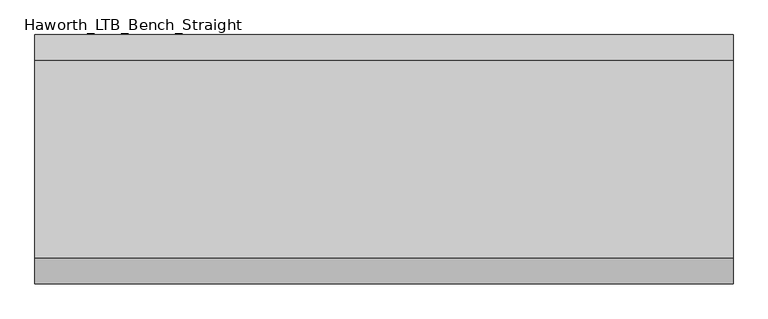
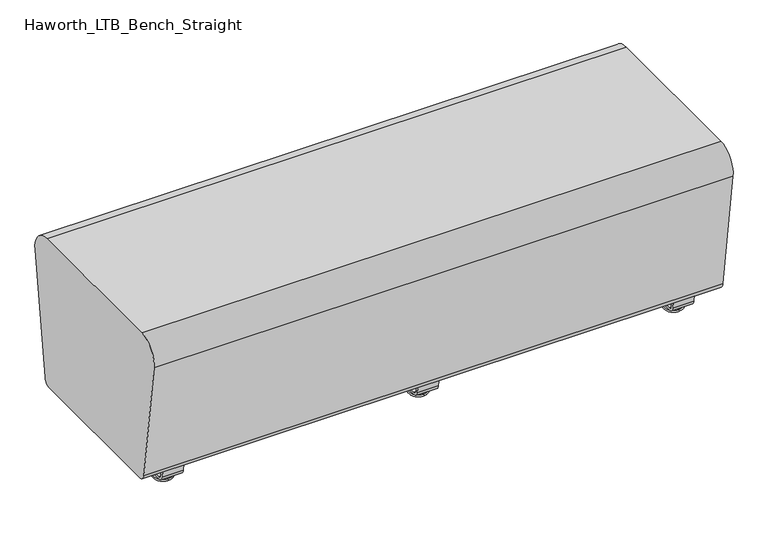
"""IFC4 building model written with IfcOpenShell, lengths in millimetres: furniture geometry, Haworth_LTB_Bench_Straight."""

from ifc_helpers import new_model, si_unit, point, frame, frame_2d, origin, place, context, project, spatial, polyline, circle_curve, ellipse_curve, trimmed, segment, composite_curve, outline, extrude, source, transform, mapped, element, save
from ifc_brep_helpers import plane_surface, cylinder_surface, revolved_surface, advanced_brep


def haworth_ltb_bench_straight_3abd45fc(model_context):
    return source(origin(), model_context, "Body", "SolidModel", [
        advanced_brep(
        [(0.0, -134.8425052, 7.8133431), (0.0, -150.8355515, 7.8133431), (0.0, -147.6015284, 7.8133431), (0.0, -138.0765284, 7.8133431), (0.0, -120.9001513, 4.0775), (0.0, -164.7779054, 4.0775), (0.0, -121.3107026, 0.0), (0.0, -164.3673542, 0.0), (0.0, -142.8390284, 0.0), (0.0, -138.0765284, 50.0000004), (0.0, -147.6015284, 50.0000004), (0.0, -142.8390284, 50.0000004)],
        [
            (0, 1, circle_curve(frame((0.0, -142.8390284, 7.8133431), z_axis=(0.0, 0.0, 1.0), x_axis=(0.0, -1.0, 0.0)), 7.9965232)),
            (1, 2),
            (2, 3, circle_curve(frame((0.0, -142.8390284, 7.8133431), z_axis=(0.0, 0.0, -1.0), x_axis=(0.0, -1.0, 0.0)), 4.7625)),
            (3, 0),
            (1, 0, circle_curve(frame((0.0, -142.8390284, 7.8133431), z_axis=(0.0, 0.0, 1.0), x_axis=(0.0, -1.0, 0.0)), 7.9965232)),
            (3, 2, circle_curve(frame((0.0, -142.8390284, 7.8133431), z_axis=(0.0, 0.0, -1.0), x_axis=(0.0, -1.0, 0.0)), 4.7625)),
            (4, 5, circle_curve(frame((0.0, -142.8390284, 4.0775), z_axis=(0.0, 0.0, 1.0), x_axis=(0.0, -1.0, 0.0)), 21.9388771)),
            (5, 1),
            (0, 4),
            (5, 4, circle_curve(frame((0.0, -142.8390284, 4.0775), z_axis=(0.0, 0.0, 1.0), x_axis=(0.0, -1.0, 0.0)), 21.9388771)),
            (6, 7, circle_curve(frame((0.0, -142.8390284, 0.0), z_axis=(0.0, 0.0, 1.0), x_axis=(0.0, -1.0, 0.0)), 21.5283258)),
            (7, 5, circle_curve(frame((0.0, -164.2405822, 2.0721829), z_axis=(-1.0, 0.0, 0.0), x_axis=(0.0, 1.0, 0.0)), 2.0760571)),
            (4, 6, circle_curve(frame((0.0, -121.4374745, 2.0721829), z_axis=(-1.0, 0.0, 0.0), x_axis=(0.0, -1.0, 0.0)), 2.0760571)),
            (7, 6, circle_curve(frame((0.0, -142.8390284, 0.0), z_axis=(0.0, 0.0, 1.0), x_axis=(0.0, -1.0, 0.0)), 21.5283258)),
            (8, 7),
            (6, 8),
            (9, 10, circle_curve(frame((0.0, -142.8390284, 50.0000004), z_axis=(0.0, 0.0, 1.0), x_axis=(0.0, -1.0, 0.0)), 4.7625)),
            (10, 11),
            (11, 9),
            (10, 9, circle_curve(frame((0.0, -142.8390284, 50.0000004), z_axis=(0.0, 0.0, 1.0), x_axis=(0.0, -1.0, 0.0)), 4.7625)),
            (2, 10),
            (9, 3),
        ],
        [
            plane_surface(frame((0.0, -142.8390284, 7.8133431), z_axis=(0.0, 0.0, 1.0), x_axis=(0.0, -1.0, 0.0))),
            revolved_surface(polyline([(0.0, -150.8355515, 7.8133431), (0.0, -164.7779054, 4.0775)]), (0.0, -142.8390284, 0.0), (0.0, 0.0, -1.0)),
            revolved_surface(trimmed(ellipse_curve(frame((0.0, -164.2405822, 2.0721829), z_axis=(1.0, 0.0, 0.0), x_axis=(0.0, 1.0, 0.0)), 2.0760571, 2.0760571), [point((0.0, -164.7779054, 4.0775))], [point((0.0, -164.3673542, 0.0))], True, "CARTESIAN"), (0.0, -142.8390284, 0.0), (0.0, 0.0, -1.0)),
            plane_surface(frame((0.0, -142.8390284, 0.0), z_axis=(0.0, 0.0, -1.0), x_axis=(0.0, -1.0, 0.0))),
            plane_surface(frame((0.0, -142.8390284, 50.0000004), z_axis=(0.0, 0.0, 1.0), x_axis=(0.0, -1.0, 0.0))),
            cylinder_surface(frame((0.0, -142.8390284, 0.0), z_axis=(0.0, 0.0, -1.0), x_axis=(0.0, -1.0, 0.0)), 4.7625),
        ],
        [
            (0, [[1, 2, 3, 4]]),
            (0, [[5, -4, 6, -2]]),
            (1, [[7, 8, -1, 9]]),
            (1, [[10, -9, -5, -8]]),
            (2, [[11, 12, -7, 13]]),
            (2, [[14, -13, -10, -12]]),
            (3, [[15, -11, 16]]),
            (3, [[-16, -14, -15]]),
            (4, [[17, 18, 19]]),
            (4, [[20, -19, -18]]),
            (5, [[-3, 21, -17, 22]]),
            (5, [[-6, -22, -20, -21]]),
        ],
    ),
        advanced_brep(
        [(0.0, 138.0765284, 7.8133431), (0.0, 147.6015284, 7.8133431), (0.0, 150.8355515, 7.8133431), (0.0, 134.8425052, 7.8133431), (0.0, 164.7779054, 4.0775), (0.0, 120.9001513, 4.0775), (0.0, 164.3673542, 0.0), (0.0, 121.3107026, 0.0), (0.0, 142.8390284, 0.0), (0.0, 142.8390284, 50.0000004), (0.0, 147.6015284, 50.0000004), (0.0, 138.0765284, 50.0000004)],
        [
            (0, 1, circle_curve(frame((0.0, 142.8390284, 7.8133431), z_axis=(0.0, 0.0, -1.0), x_axis=(0.0, 1.0, 0.0)), 4.7625)),
            (1, 2),
            (2, 3, circle_curve(frame((0.0, 142.8390284, 7.8133431), z_axis=(0.0, 0.0, 1.0), x_axis=(0.0, 1.0, 0.0)), 7.9965232)),
            (3, 0),
            (1, 0, circle_curve(frame((0.0, 142.8390284, 7.8133431), z_axis=(0.0, 0.0, -1.0), x_axis=(0.0, 1.0, 0.0)), 4.7625)),
            (3, 2, circle_curve(frame((0.0, 142.8390284, 7.8133431), z_axis=(0.0, 0.0, 1.0), x_axis=(0.0, 1.0, 0.0)), 7.9965232)),
            (2, 4),
            (4, 5, circle_curve(frame((0.0, 142.8390284, 4.0775), z_axis=(0.0, 0.0, 1.0), x_axis=(0.0, 1.0, 0.0)), 21.9388771)),
            (5, 3),
            (5, 4, circle_curve(frame((0.0, 142.8390284, 4.0775), z_axis=(0.0, 0.0, 1.0), x_axis=(0.0, 1.0, 0.0)), 21.9388771)),
            (4, 6, circle_curve(frame((0.0, 164.2405822, 2.0721829), z_axis=(-1.0, 0.0, 0.0), x_axis=(0.0, -1.0, 0.0)), 2.0760571)),
            (6, 7, circle_curve(frame((0.0, 142.8390284, 0.0), z_axis=(0.0, 0.0, 1.0), x_axis=(0.0, 1.0, 0.0)), 21.5283258)),
            (7, 5, circle_curve(frame((0.0, 121.4374745, 2.0721829), z_axis=(-1.0, 0.0, 0.0), x_axis=(0.0, 1.0, 0.0)), 2.0760571)),
            (7, 6, circle_curve(frame((0.0, 142.8390284, 0.0), z_axis=(0.0, 0.0, 1.0), x_axis=(0.0, 1.0, 0.0)), 21.5283258)),
            (6, 8),
            (8, 7),
            (9, 10),
            (10, 11, circle_curve(frame((0.0, 142.8390284, 50.0000004), z_axis=(0.0, 0.0, 1.0), x_axis=(0.0, 1.0, 0.0)), 4.7625)),
            (11, 9),
            (11, 10, circle_curve(frame((0.0, 142.8390284, 50.0000004), z_axis=(0.0, 0.0, 1.0), x_axis=(0.0, 1.0, 0.0)), 4.7625)),
            (10, 1),
            (0, 11),
        ],
        [
            plane_surface(frame((0.0, 142.8390284, 7.8133431), z_axis=(0.0, 0.0, 1.0), x_axis=(0.0, 1.0, 0.0))),
            revolved_surface(polyline([(0.0, 164.7779054, 4.0775), (0.0, 150.8355515, 7.8133431)]), (0.0, 142.8390284, 0.0), (0.0, 0.0, 1.0)),
            revolved_surface(trimmed(ellipse_curve(frame((0.0, 164.2405822, 2.0721829), z_axis=(1.0, 0.0, 0.0), x_axis=(0.0, -1.0, 0.0)), 2.0760571, 2.0760571), [point((0.0, 164.3673542, 0.0))], [point((0.0, 164.7779054, 4.0775))], True, "CARTESIAN"), (0.0, 142.8390284, 0.0), (0.0, 0.0, 1.0)),
            plane_surface(frame((0.0, 142.8390284, 0.0), z_axis=(0.0, 0.0, -1.0), x_axis=(0.0, 1.0, 0.0))),
            plane_surface(frame((0.0, 142.8390284, 50.0000004), z_axis=(0.0, 0.0, 1.0), x_axis=(0.0, 1.0, 0.0))),
            cylinder_surface(frame((0.0, 142.8390284, 0.0), z_axis=(0.0, 0.0, 1.0), x_axis=(0.0, 1.0, 0.0)), 4.7625),
        ],
        [
            (0, [[1, 2, 3, 4]]),
            (0, [[5, -4, 6, -2]]),
            (1, [[-3, 7, 8, 9]]),
            (1, [[-6, -9, 10, -7]]),
            (2, [[-8, 11, 12, 13]]),
            (2, [[-10, -13, 14, -11]]),
            (3, [[-12, 15, 16]]),
            (3, [[-14, -16, -15]]),
            (4, [[17, 18, 19]]),
            (4, [[-19, 20, -17]]),
            (5, [[-18, 21, -1, 22]]),
            (5, [[-20, -22, -5, -21]]),
        ],
    ),
        extrude(outline(composite_curve([segment(polyline([(188.6158944, 62.9950557), (183.6853496, 27.9124042)]), True, "CONTINUOUS"), segment(trimmed(circle_curve(frame_2d((168.8313276, 30.0000007)), 15.000001), [point((183.6853496, 27.9124042))], [point((168.8313276, 14.9999997))], False, "CARTESIAN"), True, "CONTINUOUS"), segment(polyline([(168.8313276, 14.9999997), (-168.8313276, 14.9999997)]), True, "CONTINUOUS"), segment(trimmed(circle_curve(frame_2d((-168.8313276, 30.0000007)), 15.000001), [point((-168.8313276, 14.9999997))], [point((-183.6853496, 27.9124042))], False, "CARTESIAN"), True, "CONTINUOUS"), segment(polyline([(-183.6853496, 27.9124042), (-188.6158944, 62.9950557), (-182.9812615, 63.7869505), (-178.0507241, 28.7043023)]), True, "CONTINUOUS"), segment(trimmed(circle_curve(frame_2d((-168.8313262, 30.0000023)), 9.310002), [point((-178.0507241, 28.7043023))], [point((-168.8313262, 20.6900003))], True, "CARTESIAN"), True, "CONTINUOUS"), segment(polyline([(-168.8313262, 20.6900003), (168.8313262, 20.6900003)]), True, "CONTINUOUS"), segment(trimmed(circle_curve(frame_2d((168.8313262, 30.0000023)), 9.310002), [point((168.8313262, 20.6900003))], [point((178.0507241, 28.7043023))], True, "CARTESIAN"), True, "CONTINUOUS"), segment(polyline([(178.0507241, 28.7043023), (182.9812615, 63.7869505), (188.6158944, 62.9950557)]), True, "CONTINUOUS")], self_intersect=False)), frame((-25.4, 0.0, 0.0), z_axis=(1.0, 0.0, 0.0), x_axis=(0.0, 1.0, 0.0)), (0.0, 0.0, 1.0), 50.8),
        advanced_brep(
        [(616.0045358, -134.8425052, 7.8133431), (616.0045358, -150.8355515, 7.8133431), (616.0045358, -147.6015284, 7.8133431), (616.0045358, -138.0765284, 7.8133431), (616.0045358, -120.9001513, 4.0775), (616.0045358, -164.7779054, 4.0775), (616.0045358, -121.3107026, 0.0), (616.0045358, -164.3673542, 0.0), (616.0045358, -142.8390284, 0.0), (616.0045358, -138.0765284, 50.0000004), (616.0045358, -147.6015284, 50.0000004), (616.0045358, -142.8390284, 50.0000004)],
        [
            (0, 1, circle_curve(frame((616.0045358, -142.8390284, 7.8133431), z_axis=(0.0, 0.0, 1.0), x_axis=(0.0, -1.0, 0.0)), 7.9965232)),
            (1, 2),
            (2, 3, circle_curve(frame((616.0045358, -142.8390284, 7.8133431), z_axis=(0.0, 0.0, -1.0), x_axis=(0.0, -1.0, 0.0)), 4.7625)),
            (3, 0),
            (1, 0, circle_curve(frame((616.0045358, -142.8390284, 7.8133431), z_axis=(0.0, 0.0, 1.0), x_axis=(0.0, -1.0, 0.0)), 7.9965232)),
            (3, 2, circle_curve(frame((616.0045358, -142.8390284, 7.8133431), z_axis=(0.0, 0.0, -1.0), x_axis=(0.0, -1.0, 0.0)), 4.7625)),
            (4, 5, circle_curve(frame((616.0045358, -142.8390284, 4.0775), z_axis=(0.0, 0.0, 1.0), x_axis=(0.0, -1.0, 0.0)), 21.9388771)),
            (5, 1),
            (0, 4),
            (5, 4, circle_curve(frame((616.0045358, -142.8390284, 4.0775), z_axis=(0.0, 0.0, 1.0), x_axis=(0.0, -1.0, 0.0)), 21.9388771)),
            (6, 7, circle_curve(frame((616.0045358, -142.8390284, 0.0), z_axis=(0.0, 0.0, 1.0), x_axis=(0.0, -1.0, 0.0)), 21.5283258)),
            (7, 5, circle_curve(frame((616.0045358, -164.2405822, 2.0721829), z_axis=(-1.0, 0.0, 0.0), x_axis=(0.0, 1.0, 0.0)), 2.0760571)),
            (4, 6, circle_curve(frame((616.0045358, -121.4374745, 2.0721829), z_axis=(-1.0, 0.0, 0.0), x_axis=(0.0, -1.0, 0.0)), 2.0760571)),
            (7, 6, circle_curve(frame((616.0045358, -142.8390284, 0.0), z_axis=(0.0, 0.0, 1.0), x_axis=(0.0, -1.0, 0.0)), 21.5283258)),
            (8, 7),
            (6, 8),
            (9, 10, circle_curve(frame((616.0045358, -142.8390284, 50.0000004), z_axis=(0.0, 0.0, 1.0), x_axis=(0.0, -1.0, 0.0)), 4.7625)),
            (10, 11),
            (11, 9),
            (10, 9, circle_curve(frame((616.0045358, -142.8390284, 50.0000004), z_axis=(0.0, 0.0, 1.0), x_axis=(0.0, -1.0, 0.0)), 4.7625)),
            (2, 10),
            (9, 3),
        ],
        [
            plane_surface(frame((616.0045358, -142.8390284, 7.8133431), z_axis=(0.0, 0.0, 1.0), x_axis=(0.0, -1.0, 0.0))),
            revolved_surface(polyline([(616.0045358, -150.8355515, 7.8133431), (616.0045358, -164.7779054, 4.0775)]), (616.0045358, -142.8390284, 0.0), (0.0, 0.0, -1.0)),
            revolved_surface(trimmed(ellipse_curve(frame((616.0045358, -164.2405822, 2.0721829), z_axis=(1.0, 0.0, 0.0), x_axis=(0.0, 1.0, 0.0)), 2.0760571, 2.0760571), [point((616.0045358, -164.7779054, 4.0775))], [point((616.0045358, -164.3673542, 0.0))], True, "CARTESIAN"), (616.0045358, -142.8390284, 0.0), (0.0, 0.0, -1.0)),
            plane_surface(frame((616.0045358, -142.8390284, 0.0), z_axis=(0.0, 0.0, -1.0), x_axis=(0.0, -1.0, 0.0))),
            plane_surface(frame((616.0045358, -142.8390284, 50.0000004), z_axis=(0.0, 0.0, 1.0), x_axis=(0.0, -1.0, 0.0))),
            cylinder_surface(frame((616.0045358, -142.8390284, 0.0), z_axis=(0.0, 0.0, -1.0), x_axis=(0.0, -1.0, 0.0)), 4.7625),
        ],
        [
            (0, [[1, 2, 3, 4]]),
            (0, [[5, -4, 6, -2]]),
            (1, [[7, 8, -1, 9]]),
            (1, [[10, -9, -5, -8]]),
            (2, [[11, 12, -7, 13]]),
            (2, [[14, -13, -10, -12]]),
            (3, [[15, -11, 16]]),
            (3, [[-16, -14, -15]]),
            (4, [[17, 18, 19]]),
            (4, [[20, -19, -18]]),
            (5, [[-3, 21, -17, 22]]),
            (5, [[-6, -22, -20, -21]]),
        ],
    ),
        advanced_brep(
        [(616.0045358, 138.0765284, 7.8133431), (616.0045358, 147.6015284, 7.8133431), (616.0045358, 150.8355515, 7.8133431), (616.0045358, 134.8425052, 7.8133431), (616.0045358, 164.7779054, 4.0775), (616.0045358, 120.9001513, 4.0775), (616.0045358, 164.3673542, 0.0), (616.0045358, 121.3107026, 0.0), (616.0045358, 142.8390284, 0.0), (616.0045358, 142.8390284, 50.0000004), (616.0045358, 147.6015284, 50.0000004), (616.0045358, 138.0765284, 50.0000004)],
        [
            (0, 1, circle_curve(frame((616.0045358, 142.8390284, 7.8133431), z_axis=(0.0, 0.0, -1.0), x_axis=(0.0, 1.0, 0.0)), 4.7625)),
            (1, 2),
            (2, 3, circle_curve(frame((616.0045358, 142.8390284, 7.8133431), z_axis=(0.0, 0.0, 1.0), x_axis=(0.0, 1.0, 0.0)), 7.9965232)),
            (3, 0),
            (1, 0, circle_curve(frame((616.0045358, 142.8390284, 7.8133431), z_axis=(0.0, 0.0, -1.0), x_axis=(0.0, 1.0, 0.0)), 4.7625)),
            (3, 2, circle_curve(frame((616.0045358, 142.8390284, 7.8133431), z_axis=(0.0, 0.0, 1.0), x_axis=(0.0, 1.0, 0.0)), 7.9965232)),
            (2, 4),
            (4, 5, circle_curve(frame((616.0045358, 142.8390284, 4.0775), z_axis=(0.0, 0.0, 1.0), x_axis=(0.0, 1.0, 0.0)), 21.9388771)),
            (5, 3),
            (5, 4, circle_curve(frame((616.0045358, 142.8390284, 4.0775), z_axis=(0.0, 0.0, 1.0), x_axis=(0.0, 1.0, 0.0)), 21.9388771)),
            (4, 6, circle_curve(frame((616.0045358, 164.2405822, 2.0721829), z_axis=(-1.0, 0.0, 0.0), x_axis=(0.0, -1.0, 0.0)), 2.0760571)),
            (6, 7, circle_curve(frame((616.0045358, 142.8390284, 0.0), z_axis=(0.0, 0.0, 1.0), x_axis=(0.0, 1.0, 0.0)), 21.5283258)),
            (7, 5, circle_curve(frame((616.0045358, 121.4374745, 2.0721829), z_axis=(-1.0, 0.0, 0.0), x_axis=(0.0, 1.0, 0.0)), 2.0760571)),
            (7, 6, circle_curve(frame((616.0045358, 142.8390284, 0.0), z_axis=(0.0, 0.0, 1.0), x_axis=(0.0, 1.0, 0.0)), 21.5283258)),
            (6, 8),
            (8, 7),
            (9, 10),
            (10, 11, circle_curve(frame((616.0045358, 142.8390284, 50.0000004), z_axis=(0.0, 0.0, 1.0), x_axis=(0.0, 1.0, 0.0)), 4.7625)),
            (11, 9),
            (11, 10, circle_curve(frame((616.0045358, 142.8390284, 50.0000004), z_axis=(0.0, 0.0, 1.0), x_axis=(0.0, 1.0, 0.0)), 4.7625)),
            (10, 1),
            (0, 11),
        ],
        [
            plane_surface(frame((616.0045358, 142.8390284, 7.8133431), z_axis=(0.0, 0.0, 1.0), x_axis=(0.0, 1.0, 0.0))),
            revolved_surface(polyline([(616.0045358, 164.7779054, 4.0775), (616.0045358, 150.8355515, 7.8133431)]), (616.0045358, 142.8390284, 0.0), (0.0, 0.0, 1.0)),
            revolved_surface(trimmed(ellipse_curve(frame((616.0045358, 164.2405822, 2.0721829), z_axis=(1.0, 0.0, 0.0), x_axis=(0.0, -1.0, 0.0)), 2.0760571, 2.0760571), [point((616.0045358, 164.3673542, 0.0))], [point((616.0045358, 164.7779054, 4.0775))], True, "CARTESIAN"), (616.0045358, 142.8390284, 0.0), (0.0, 0.0, 1.0)),
            plane_surface(frame((616.0045358, 142.8390284, 0.0), z_axis=(0.0, 0.0, -1.0), x_axis=(0.0, 1.0, 0.0))),
            plane_surface(frame((616.0045358, 142.8390284, 50.0000004), z_axis=(0.0, 0.0, 1.0), x_axis=(0.0, 1.0, 0.0))),
            cylinder_surface(frame((616.0045358, 142.8390284, 0.0), z_axis=(0.0, 0.0, 1.0), x_axis=(0.0, 1.0, 0.0)), 4.7625),
        ],
        [
            (0, [[1, 2, 3, 4]]),
            (0, [[5, -4, 6, -2]]),
            (1, [[-3, 7, 8, 9]]),
            (1, [[-6, -9, 10, -7]]),
            (2, [[-8, 11, 12, 13]]),
            (2, [[-10, -13, 14, -11]]),
            (3, [[-12, 15, 16]]),
            (3, [[-14, -16, -15]]),
            (4, [[17, 18, 19]]),
            (4, [[-19, 20, -17]]),
            (5, [[-18, 21, -1, 22]]),
            (5, [[-20, -22, -5, -21]]),
        ],
    ),
        extrude(outline(composite_curve([segment(polyline([(188.6158944, 62.9950557), (183.6853496, 27.9124042)]), True, "CONTINUOUS"), segment(trimmed(circle_curve(frame_2d((168.8313276, 30.0000007)), 15.000001), [point((183.6853496, 27.9124042))], [point((168.8313276, 14.9999997))], False, "CARTESIAN"), True, "CONTINUOUS"), segment(polyline([(168.8313276, 14.9999997), (-168.8313276, 14.9999997)]), True, "CONTINUOUS"), segment(trimmed(circle_curve(frame_2d((-168.8313276, 30.0000007)), 15.000001), [point((-168.8313276, 14.9999997))], [point((-183.6853496, 27.9124042))], False, "CARTESIAN"), True, "CONTINUOUS"), segment(polyline([(-183.6853496, 27.9124042), (-188.6158944, 62.9950557), (-182.9812615, 63.7869505), (-178.0507241, 28.7043023)]), True, "CONTINUOUS"), segment(trimmed(circle_curve(frame_2d((-168.8313262, 30.0000023)), 9.310002), [point((-178.0507241, 28.7043023))], [point((-168.8313262, 20.6900003))], True, "CARTESIAN"), True, "CONTINUOUS"), segment(polyline([(-168.8313262, 20.6900003), (168.8313262, 20.6900003)]), True, "CONTINUOUS"), segment(trimmed(circle_curve(frame_2d((168.8313262, 30.0000023)), 9.310002), [point((168.8313262, 20.6900003))], [point((178.0507241, 28.7043023))], True, "CARTESIAN"), True, "CONTINUOUS"), segment(polyline([(178.0507241, 28.7043023), (182.9812615, 63.7869505), (188.6158944, 62.9950557)]), True, "CONTINUOUS")], self_intersect=False)), frame((590.6045358, 0.0, 0.0), z_axis=(1.0, 0.0, 0.0), x_axis=(0.0, 1.0, 0.0)), (0.0, 0.0, 1.0), 50.8),
        advanced_brep(
        [(-616.0045358, -138.0765284, 7.8133431), (-616.0045358, -147.6015284, 7.8133431), (-616.0045358, -150.8355515, 7.8133431), (-616.0045358, -134.8425052, 7.8133431), (-616.0045358, -164.7779054, 4.0775), (-616.0045358, -120.9001513, 4.0775), (-616.0045358, -164.3673542, 0.0), (-616.0045358, -121.3107026, 0.0), (-616.0045358, -142.8390284, 0.0), (-616.0045358, -142.8390284, 50.0000004), (-616.0045358, -147.6015284, 50.0000004), (-616.0045358, -138.0765284, 50.0000004)],
        [
            (0, 1, circle_curve(frame((-616.0045358, -142.8390284, 7.8133431), z_axis=(0.0, 0.0, -1.0), x_axis=(0.0, -1.0, 0.0)), 4.7625)),
            (1, 2),
            (2, 3, circle_curve(frame((-616.0045358, -142.8390284, 7.8133431), z_axis=(0.0, 0.0, 1.0), x_axis=(0.0, -1.0, 0.0)), 7.9965232)),
            (3, 0),
            (1, 0, circle_curve(frame((-616.0045358, -142.8390284, 7.8133431), z_axis=(0.0, 0.0, -1.0), x_axis=(0.0, -1.0, 0.0)), 4.7625)),
            (3, 2, circle_curve(frame((-616.0045358, -142.8390284, 7.8133431), z_axis=(0.0, 0.0, 1.0), x_axis=(0.0, -1.0, 0.0)), 7.9965232)),
            (2, 4),
            (4, 5, circle_curve(frame((-616.0045358, -142.8390284, 4.0775), z_axis=(0.0, 0.0, 1.0), x_axis=(0.0, -1.0, 0.0)), 21.9388771)),
            (5, 3),
            (5, 4, circle_curve(frame((-616.0045358, -142.8390284, 4.0775), z_axis=(0.0, 0.0, 1.0), x_axis=(0.0, -1.0, 0.0)), 21.9388771)),
            (4, 6, circle_curve(frame((-616.0045358, -164.2405822, 2.0721829), z_axis=(1.0, 0.0, 0.0), x_axis=(0.0, 1.0, 0.0)), 2.0760571)),
            (6, 7, circle_curve(frame((-616.0045358, -142.8390284, 0.0), z_axis=(0.0, 0.0, 1.0), x_axis=(0.0, -1.0, 0.0)), 21.5283258)),
            (7, 5, circle_curve(frame((-616.0045358, -121.4374745, 2.0721829), z_axis=(1.0, 0.0, 0.0), x_axis=(0.0, -1.0, 0.0)), 2.0760571)),
            (7, 6, circle_curve(frame((-616.0045358, -142.8390284, 0.0), z_axis=(0.0, 0.0, 1.0), x_axis=(0.0, -1.0, 0.0)), 21.5283258)),
            (6, 8),
            (8, 7),
            (9, 10),
            (10, 11, circle_curve(frame((-616.0045358, -142.8390284, 50.0000004), z_axis=(0.0, 0.0, 1.0), x_axis=(0.0, -1.0, 0.0)), 4.7625)),
            (11, 9),
            (11, 10, circle_curve(frame((-616.0045358, -142.8390284, 50.0000004), z_axis=(0.0, 0.0, 1.0), x_axis=(0.0, -1.0, 0.0)), 4.7625)),
            (10, 1),
            (0, 11),
        ],
        [
            plane_surface(frame((-616.0045358, -142.8390284, 7.8133431), z_axis=(0.0, 0.0, 1.0), x_axis=(0.0, -1.0, 0.0))),
            revolved_surface(polyline([(-616.0045358, -164.7779054, 4.0775), (-616.0045358, -150.8355515, 7.8133431)]), (-616.0045358, -142.8390284, 0.0), (0.0, 0.0, 1.0)),
            revolved_surface(trimmed(ellipse_curve(frame((-616.0045358, -164.2405822, 2.0721829), z_axis=(-1.0, 0.0, 0.0), x_axis=(0.0, 1.0, 0.0)), 2.0760571, 2.0760571), [point((-616.0045358, -164.3673542, 0.0))], [point((-616.0045358, -164.7779054, 4.0775))], True, "CARTESIAN"), (-616.0045358, -142.8390284, 0.0), (0.0, 0.0, 1.0)),
            plane_surface(frame((-616.0045358, -142.8390284, 0.0), z_axis=(0.0, 0.0, -1.0), x_axis=(0.0, -1.0, 0.0))),
            plane_surface(frame((-616.0045358, -142.8390284, 50.0000004), z_axis=(0.0, 0.0, 1.0), x_axis=(0.0, -1.0, 0.0))),
            cylinder_surface(frame((-616.0045358, -142.8390284, 0.0), z_axis=(0.0, 0.0, 1.0), x_axis=(0.0, -1.0, 0.0)), 4.7625),
        ],
        [
            (0, [[1, 2, 3, 4]]),
            (0, [[5, -4, 6, -2]]),
            (1, [[-3, 7, 8, 9]]),
            (1, [[-6, -9, 10, -7]]),
            (2, [[-8, 11, 12, 13]]),
            (2, [[-10, -13, 14, -11]]),
            (3, [[-12, 15, 16]]),
            (3, [[-14, -16, -15]]),
            (4, [[17, 18, 19]]),
            (4, [[-19, 20, -17]]),
            (5, [[-18, 21, -1, 22]]),
            (5, [[-20, -22, -5, -21]]),
        ],
    ),
        advanced_brep(
        [(-616.0045358, 134.8425052, 7.8133431), (-616.0045358, 150.8355515, 7.8133431), (-616.0045358, 147.6015284, 7.8133431), (-616.0045358, 138.0765284, 7.8133431), (-616.0045358, 120.9001513, 4.0775), (-616.0045358, 164.7779054, 4.0775), (-616.0045358, 121.3107026, 0.0), (-616.0045358, 164.3673542, 0.0), (-616.0045358, 142.8390284, 0.0), (-616.0045358, 138.0765284, 50.0000004), (-616.0045358, 147.6015284, 50.0000004), (-616.0045358, 142.8390284, 50.0000004)],
        [
            (0, 1, circle_curve(frame((-616.0045358, 142.8390284, 7.8133431), z_axis=(0.0, 0.0, 1.0), x_axis=(0.0, 1.0, 0.0)), 7.9965232)),
            (1, 2),
            (2, 3, circle_curve(frame((-616.0045358, 142.8390284, 7.8133431), z_axis=(0.0, 0.0, -1.0), x_axis=(0.0, 1.0, 0.0)), 4.7625)),
            (3, 0),
            (1, 0, circle_curve(frame((-616.0045358, 142.8390284, 7.8133431), z_axis=(0.0, 0.0, 1.0), x_axis=(0.0, 1.0, 0.0)), 7.9965232)),
            (3, 2, circle_curve(frame((-616.0045358, 142.8390284, 7.8133431), z_axis=(0.0, 0.0, -1.0), x_axis=(0.0, 1.0, 0.0)), 4.7625)),
            (4, 5, circle_curve(frame((-616.0045358, 142.8390284, 4.0775), z_axis=(0.0, 0.0, 1.0), x_axis=(0.0, 1.0, 0.0)), 21.9388771)),
            (5, 1),
            (0, 4),
            (5, 4, circle_curve(frame((-616.0045358, 142.8390284, 4.0775), z_axis=(0.0, 0.0, 1.0), x_axis=(0.0, 1.0, 0.0)), 21.9388771)),
            (6, 7, circle_curve(frame((-616.0045358, 142.8390284, 0.0), z_axis=(0.0, 0.0, 1.0), x_axis=(0.0, 1.0, 0.0)), 21.5283258)),
            (7, 5, circle_curve(frame((-616.0045358, 164.2405822, 2.0721829), z_axis=(1.0, 0.0, 0.0), x_axis=(0.0, -1.0, 0.0)), 2.0760571)),
            (4, 6, circle_curve(frame((-616.0045358, 121.4374745, 2.0721829), z_axis=(1.0, 0.0, 0.0), x_axis=(0.0, 1.0, 0.0)), 2.0760571)),
            (7, 6, circle_curve(frame((-616.0045358, 142.8390284, 0.0), z_axis=(0.0, 0.0, 1.0), x_axis=(0.0, 1.0, 0.0)), 21.5283258)),
            (8, 7),
            (6, 8),
            (9, 10, circle_curve(frame((-616.0045358, 142.8390284, 50.0000004), z_axis=(0.0, 0.0, 1.0), x_axis=(0.0, 1.0, 0.0)), 4.7625)),
            (10, 11),
            (11, 9),
            (10, 9, circle_curve(frame((-616.0045358, 142.8390284, 50.0000004), z_axis=(0.0, 0.0, 1.0), x_axis=(0.0, 1.0, 0.0)), 4.7625)),
            (2, 10),
            (9, 3),
        ],
        [
            plane_surface(frame((-616.0045358, 142.8390284, 7.8133431), z_axis=(0.0, 0.0, 1.0), x_axis=(0.0, 1.0, 0.0))),
            revolved_surface(polyline([(-616.0045358, 150.8355515, 7.8133431), (-616.0045358, 164.7779054, 4.0775)]), (-616.0045358, 142.8390284, 0.0), (0.0, 0.0, -1.0)),
            revolved_surface(trimmed(ellipse_curve(frame((-616.0045358, 164.2405822, 2.0721829), z_axis=(-1.0, 0.0, 0.0), x_axis=(0.0, -1.0, 0.0)), 2.0760571, 2.0760571), [point((-616.0045358, 164.7779054, 4.0775))], [point((-616.0045358, 164.3673542, 0.0))], True, "CARTESIAN"), (-616.0045358, 142.8390284, 0.0), (0.0, 0.0, -1.0)),
            plane_surface(frame((-616.0045358, 142.8390284, 0.0), z_axis=(0.0, 0.0, -1.0), x_axis=(0.0, 1.0, 0.0))),
            plane_surface(frame((-616.0045358, 142.8390284, 50.0000004), z_axis=(0.0, 0.0, 1.0), x_axis=(0.0, 1.0, 0.0))),
            cylinder_surface(frame((-616.0045358, 142.8390284, 0.0), z_axis=(0.0, 0.0, -1.0), x_axis=(0.0, 1.0, 0.0)), 4.7625),
        ],
        [
            (0, [[1, 2, 3, 4]]),
            (0, [[5, -4, 6, -2]]),
            (1, [[7, 8, -1, 9]]),
            (1, [[10, -9, -5, -8]]),
            (2, [[11, 12, -7, 13]]),
            (2, [[14, -13, -10, -12]]),
            (3, [[15, -11, 16]]),
            (3, [[-16, -14, -15]]),
            (4, [[17, 18, 19]]),
            (4, [[20, -19, -18]]),
            (5, [[-3, 21, -17, 22]]),
            (5, [[-6, -22, -20, -21]]),
        ],
    ),
        extrude(outline(composite_curve([segment(polyline([(188.6158944, 62.9950557), (183.6853496, 27.9124042)]), True, "CONTINUOUS"), segment(trimmed(circle_curve(frame_2d((168.8313276, 30.0000007)), 15.000001), [point((183.6853496, 27.9124042))], [point((168.8313276, 14.9999997))], False, "CARTESIAN"), True, "CONTINUOUS"), segment(polyline([(168.8313276, 14.9999997), (-168.8313276, 14.9999997)]), True, "CONTINUOUS"), segment(trimmed(circle_curve(frame_2d((-168.8313276, 30.0000007)), 15.000001), [point((-168.8313276, 14.9999997))], [point((-183.6853496, 27.9124042))], False, "CARTESIAN"), True, "CONTINUOUS"), segment(polyline([(-183.6853496, 27.9124042), (-188.6158944, 62.9950557), (-182.9812615, 63.7869505), (-178.0507241, 28.7043023)]), True, "CONTINUOUS"), segment(trimmed(circle_curve(frame_2d((-168.8313262, 30.0000023)), 9.310002), [point((-178.0507241, 28.7043023))], [point((-168.8313262, 20.6900003))], True, "CARTESIAN"), True, "CONTINUOUS"), segment(polyline([(-168.8313262, 20.6900003), (168.8313262, 20.6900003)]), True, "CONTINUOUS"), segment(trimmed(circle_curve(frame_2d((168.8313262, 30.0000023)), 9.310002), [point((168.8313262, 20.6900003))], [point((178.0507241, 28.7043023))], True, "CARTESIAN"), True, "CONTINUOUS"), segment(polyline([(178.0507241, 28.7043023), (182.9812615, 63.7869505), (188.6158944, 62.9950557)]), True, "CONTINUOUS")], self_intersect=False)), frame((-641.4045358, 0.0, 0.0), z_axis=(1.0, 0.0, 0.0), x_axis=(0.0, 1.0, 0.0)), (0.0, 0.0, 1.0), 50.8),
        extrude(outline(composite_curve([segment(trimmed(circle_curve(frame_2d((187.8390314, 68.9999996)), 18.9999992), [point((206.6541239, 66.3557108))], [point((187.8390314, 50.0000004))], False, "CARTESIAN"), True, "CONTINUOUS"), segment(polyline([(187.8390314, 50.0000004), (-187.8390314, 50.0000004)]), True, "CONTINUOUS"), segment(trimmed(circle_curve(frame_2d((-187.8390314, 68.9999996)), 18.9999992), [point((-187.8390314, 50.0000004))], [point((-206.6541239, 66.3557108))], False, "CARTESIAN"), True, "CONTINUOUS"), segment(polyline([(-206.6541239, 66.3557108), (-248.8457699, 366.5648734)]), True, "CONTINUOUS"), segment(trimmed(circle_curve(frame_2d((-198.0488862, 373.7039098)), 51.2960937), [point((-248.8457699, 366.5648734))], [point((-198.0488862, 425.0000035))], False, "CARTESIAN"), True, "CONTINUOUS"), segment(polyline([(-198.0488862, 425.0000035), (198.0488862, 425.0000035)]), True, "CONTINUOUS"), segment(trimmed(circle_curve(frame_2d((198.0488862, 373.7039098)), 51.2960937), [point((198.0488862, 425.0000035))], [point((248.8457699, 366.5648734))], False, "CARTESIAN"), True, "CONTINUOUS"), segment(polyline([(248.8457699, 366.5648734), (206.6541239, 66.3557108)]), True, "CONTINUOUS")], self_intersect=False)), frame((-698.5, 0.0, 0.0), z_axis=(1.0, 0.0, 0.0), x_axis=(0.0, 1.0, 0.0)), (0.0, 0.0, 1.0), 1397.0),
    ])


if __name__ == "__main__":
    model = new_model("IFC4")
    model_context = context("Model", 3, world=origin())
    ifc_project = project(units=[si_unit("LENGTHUNIT", "METRE", prefix="MILLI")], contexts=[model_context])
    site = spatial("IfcSite", under=ifc_project)
    building = spatial("IfcBuilding", under=site)
    placement = place(None, origin())
    haworth_ltb_bench_straight_shape = haworth_ltb_bench_straight_3abd45fc(model_context)
    element("IfcFurniture", 1, ObjectType="Haworth_LTB_Bench_Straight", at=placement, inside=building, context=model_context, shape_type="MappedRepresentation", body=[
        mapped(haworth_ltb_bench_straight_shape, transform((0.0, 0.0, 0.0), x_axis=(1.0, 0.0, 0.0), y_axis=(0.0, 1.0, 0.0), z_axis=(0.0, 0.0, 1.0))),
    ])
    save(model, "model.ifc")
